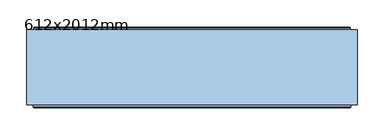
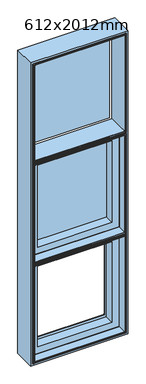
"""IFC4 building model written with IfcOpenShell, lengths in millimetres: window geometry, 612x2012mm."""

from ifc_helpers import new_model, si_unit, frame, origin, place, context, project, spatial, polyline, ellipse_curve, outline, extrude, faceted_brep, source, transform, mapped, element, save
from ifc_brep_helpers import plane_surface, cylinder_surface, revolved_surface, advanced_brep


def window_612x2012mm_f6857e12(model_context):
    return source(origin(), model_context, "Body", "SolidModel", [
        extrude(outline(polyline([(252.0, 118.5000018), (-252.0, 118.5000018), (-252.0, 146.5000018), (252.0, 146.5000018), (252.0, 118.5000018)])), frame((0.0, 0.0, 2187.3333333), z_axis=(0.0, 0.0, 1.0), x_axis=(1.0, 0.0, 0.0)), (0.0, 0.0, 1.0), 570.6666667),
        extrude(outline(polyline([(252.0, 118.0000017), (-252.0, 118.0000017), (-252.0, 146.0000017), (252.0, 146.0000017), (252.0, 118.0000017)])), frame((0.0, 0.0, 1516.6666667), z_axis=(0.0, 0.0, 1.0), x_axis=(1.0, 0.0, 0.0)), (0.0, 0.0, 1.0), 578.6666667),
        advanced_brep(
        [(-293.0, 152.5000018, 2136.3333333), (-291.5000001, 154.0000016, 2134.8333335), (-291.5000001, 154.0000016, 1477.1666665), (-293.0, 152.5000018, 1475.6666667), (-293.0, 148.3866107, 2136.3333333), (-293.0, 148.3866107, 1475.6666667), (-294.0, 142.5000017, 2137.3333333), (-294.0, 148.3866107, 2137.3333333), (-294.0, 148.3866107, 1474.6666667), (-294.0, 142.5000017, 1474.6666667), (-256.0, 146.5000019, 2099.3333333), (-256.0, 142.5000017, 2099.3333333), (-256.0, 142.5000017, 1512.6666667), (-256.0, 146.5000019, 1512.6666667), (-237.5192538, 147.4871074, 2080.8525871), (-237.4938789, 146.5000019, 2080.8272122), (-237.4938789, 146.5000019, 1531.1727878), (-237.5192538, 147.4871074, 1531.1474129), (-239.5962483, 148.7951832, 2082.9295817), (-239.5962483, 148.7951832, 1529.0704183), (-240.0, 149.7544748, 2083.3333333), (-240.0, 149.7544748, 1528.6666667), (-240.0, 153.0000016, 2083.3333333), (-240.0, 153.0000016, 1528.6666667), (-240.5, 153.5000016, 2083.8333333), (-240.5, 153.5000016, 1528.1666667), (-256.514074, 154.0000016, 2099.8474073), (-255.8, 153.5000016, 2099.1333333), (-255.8, 153.5000016, 1512.8666667), (-256.514074, 154.0000016, 1512.1525927), (291.5000001, 154.0000016, 1477.1666665), (293.0, 152.5000018, 1475.6666667), (293.0, 148.3866107, 1475.6666667), (294.0, 148.3866107, 1474.6666667), (294.0, 142.5000017, 1474.6666667), (256.0, 142.5000017, 1512.6666667), (256.0, 146.5000019, 1512.6666667), (237.4938789, 146.5000019, 1531.1727878), (237.5192538, 147.4871074, 1531.1474129), (239.5962483, 148.7951832, 1529.0704183), (240.0, 149.7544748, 1528.6666667), (240.0, 153.0000016, 1528.6666667), (240.5, 153.5000016, 1528.1666667), (255.8, 153.5000016, 1512.8666667), (256.514074, 154.0000016, 1512.1525927), (291.5000001, 154.0000016, 2134.8333335), (293.0, 152.5000018, 2136.3333333), (293.0, 148.3866107, 2136.3333333), (294.0, 148.3866107, 2137.3333333), (294.0, 142.5000017, 2137.3333333), (256.0, 142.5000017, 2099.3333333), (256.0, 146.5000019, 2099.3333333), (237.4938789, 146.5000019, 2080.8272122), (237.5192538, 147.4871074, 2080.8525871), (239.5962483, 148.7951832, 2082.9295817), (240.0, 149.7544748, 2083.3333333), (240.0, 153.0000016, 2083.3333333), (240.5, 153.5000016, 2083.8333333), (255.8, 153.5000016, 2099.1333333), (256.514074, 154.0000016, 2099.8474073)],
        [
            (0, 1, ellipse_curve(frame((-291.5000001, 152.5000018, 2134.8333335), z_axis=(-0.7071067811865475, 0.0, -0.7071067811865475), x_axis=(-0.7071067811865474, 0.0, 0.7071067811865476)), 2.1213201, 1.4999998)),
            (1, 2),
            (2, 3, ellipse_curve(frame((-291.5000001, 152.5000018, 1477.1666665), z_axis=(-0.7071067811865475, 0.0, 0.7071067811865475), x_axis=(0.7071067811865474, 0.0, 0.7071067811865476)), 2.1213201, 1.4999998)),
            (3, 0),
            (4, 0),
            (3, 5),
            (5, 4),
            (6, 7),
            (7, 8),
            (8, 9),
            (9, 6),
            (10, 11),
            (11, 12),
            (12, 13),
            (13, 10),
            (14, 15, ellipse_curve(frame((-237.4938789, 146.9938808, 2080.8272122), z_axis=(-0.7071067811865475, 0.0, -0.7071067811865475), x_axis=(-0.7071067811865474, 0.0, 0.7071067811865476)), 0.6984503, 0.4938789)),
            (15, 16),
            (16, 17, ellipse_curve(frame((-237.4938789, 146.9938808, 1531.1727878), z_axis=(-0.7071067811865475, 0.0, 0.7071067811865475), x_axis=(0.7071067811865474, 0.0, 0.7071067811865476)), 0.6984503, 0.4938789)),
            (17, 14),
            (18, 14, ellipse_curve(frame((-237.6227187, 149.6258125, 2080.956052), z_axis=(0.7071067811865475, 0.0, 0.7071067811865475), x_axis=(0.7071067811865474, 0.0, -0.7071067811865476)), 3.028123, 2.1412063)),
            (17, 19, ellipse_curve(frame((-237.6227187, 149.6258125, 1531.043948), z_axis=(0.7071067811865475, 0.0, -0.7071067811865475), x_axis=(-0.7071067811865474, 0.0, -0.7071067811865476)), 3.028123, 2.1412063)),
            (19, 18),
            (20, 18),
            (19, 21),
            (21, 20),
            (22, 20),
            (21, 23),
            (23, 22),
            (24, 22, ellipse_curve(frame((-240.5, 153.0000016, 2083.8333333), z_axis=(-0.7071067811865475, 0.0, -0.7071067811865475), x_axis=(-0.7071067811865474, 0.0, 0.7071067811865476)), 0.7071068, 0.5)),
            (23, 25, ellipse_curve(frame((-240.5, 153.0000016, 1528.1666667), z_axis=(-0.7071067811865475, 0.0, 0.7071067811865475), x_axis=(0.7071067811865474, 0.0, 0.7071067811865476)), 0.7071068, 0.5)),
            (25, 24),
            (26, 27),
            (27, 28),
            (28, 29),
            (29, 26),
            (2, 30),
            (30, 31, ellipse_curve(frame((291.5000001, 152.5000018, 1477.1666665), z_axis=(-0.7071067811865475, 0.0, -0.7071067811865475), x_axis=(-0.7071067811865476, 0.0, 0.7071067811865474)), 2.1213201, 1.4999998)),
            (31, 3),
            (31, 32),
            (32, 5),
            (8, 33),
            (33, 34),
            (34, 9),
            (12, 35),
            (35, 36),
            (36, 13),
            (16, 37),
            (37, 38, ellipse_curve(frame((237.4938789, 146.9938808, 1531.1727878), z_axis=(-0.7071067811865475, 0.0, -0.7071067811865475), x_axis=(-0.7071067811865476, 0.0, 0.7071067811865474)), 0.6984503, 0.4938789)),
            (38, 17),
            (38, 39, ellipse_curve(frame((237.6227187, 149.6258125, 1531.043948), z_axis=(0.7071067811865475, 0.0, 0.7071067811865475), x_axis=(0.7071067811865476, 0.0, -0.7071067811865474)), 3.028123, 2.1412063)),
            (39, 19),
            (39, 40),
            (40, 21),
            (40, 41),
            (41, 23),
            (41, 42, ellipse_curve(frame((240.5, 153.0000016, 1528.1666667), z_axis=(-0.7071067811865475, 0.0, -0.7071067811865475), x_axis=(-0.7071067811865476, 0.0, 0.7071067811865474)), 0.7071068, 0.5)),
            (42, 25),
            (28, 43),
            (43, 44),
            (44, 29),
            (30, 45),
            (45, 46, ellipse_curve(frame((291.5000001, 152.5000018, 2134.8333335), z_axis=(0.7071067811865475, 0.0, -0.7071067811865475), x_axis=(-0.7071067811865474, 0.0, -0.7071067811865476)), 2.1213201, 1.4999998)),
            (46, 31),
            (46, 47),
            (47, 32),
            (33, 48),
            (48, 49),
            (49, 34),
            (35, 50),
            (50, 51),
            (51, 36),
            (37, 52),
            (52, 53, ellipse_curve(frame((237.4938789, 146.9938808, 2080.8272122), z_axis=(0.7071067811865475, 0.0, -0.7071067811865475), x_axis=(-0.7071067811865474, 0.0, -0.7071067811865476)), 0.6984503, 0.4938789)),
            (53, 38),
            (53, 54, ellipse_curve(frame((237.6227187, 149.6258125, 2080.956052), z_axis=(-0.7071067811865475, 0.0, 0.7071067811865475), x_axis=(0.7071067811865474, 0.0, 0.7071067811865476)), 3.028123, 2.1412063)),
            (54, 39),
            (54, 55),
            (55, 40),
            (55, 56),
            (56, 41),
            (56, 57, ellipse_curve(frame((240.5, 153.0000016, 2083.8333333), z_axis=(0.7071067811865475, 0.0, -0.7071067811865475), x_axis=(-0.7071067811865474, 0.0, -0.7071067811865476)), 0.7071068, 0.5)),
            (57, 42),
            (43, 58),
            (58, 59),
            (59, 44),
            (1, 45),
            (59, 26),
            (0, 46),
            (4, 47),
            (7, 48),
            (6, 49),
            (11, 50),
            (10, 51),
            (15, 52),
            (14, 53),
            (18, 54),
            (20, 55),
            (22, 56),
            (24, 57),
            (27, 58),
        ],
        [
            cylinder_surface(frame((-291.5000001, 152.5000018, 2137.3333333), z_axis=(0.0, 0.0, 1.0), x_axis=(1.0, 0.0, 0.0)), 1.4999998),
            plane_surface(frame((-293.0, 152.5000018, 2136.3333333), z_axis=(-1.0, 0.0, 0.0), x_axis=(0.0, 0.0, -1.0))),
            plane_surface(frame((-294.0, 148.3866107, 2137.3333333), z_axis=(-1.0, 0.0, 0.0), x_axis=(0.0, 0.0, -1.0))),
            plane_surface(frame((-256.0, 142.5000017, 2099.3333333), z_axis=(1.0, 0.0, 0.0), x_axis=(0.0, 0.0, -1.0))),
            cylinder_surface(frame((-237.4938789, 146.9938808, 2137.3333333), z_axis=(0.0, 0.0, 1.0), x_axis=(1.0, 0.0, 0.0)), 0.4938789),
            revolved_surface(polyline([(-235.4815124, 149.6258125, 1528.9027416924332), (-235.4815124, 149.6258125, 2083.097258307567)]), (-237.6227187, 149.6258125, 2137.3333333), (0.0, 0.0, -1.0)),
            plane_surface(frame((-239.5962483, 148.7951832, 2082.9295817), z_axis=(0.9216905703602055, 0.3879258853300191, 0.0), x_axis=(0.0, 0.0, -1.0))),
            plane_surface(frame((-240.0, 149.7544748, 2083.3333333), z_axis=(1.0, 0.0, 0.0), x_axis=(0.0, 0.0, -1.0))),
            cylinder_surface(frame((-240.5, 153.0000016, 2137.3333333), z_axis=(0.0, 0.0, 1.0), x_axis=(1.0, 0.0, 0.0)), 0.5),
            plane_surface(frame((-255.8, 153.5000016, 2099.1333333), z_axis=(0.5735764363509964, 0.8191520442890267, 0.0), x_axis=(0.0, 0.0, -1.0))),
            cylinder_surface(frame((-294.0, 152.5000018, 1477.1666665), z_axis=(-1.0, 0.0, 0.0), x_axis=(0.0, 0.0, 1.0)), 1.4999998),
            plane_surface(frame((-293.0, 152.5000018, 1475.6666667), z_axis=(0.0, 0.0, -1.0), x_axis=(1.0, 0.0, 0.0))),
            plane_surface(frame((-294.0, 148.3866107, 1474.6666667), z_axis=(0.0, 0.0, -1.0), x_axis=(1.0, 0.0, 0.0))),
            plane_surface(frame((-256.0, 142.5000017, 1512.6666667), z_axis=(0.0, 0.0, 1.0), x_axis=(1.0, 0.0, 0.0))),
            cylinder_surface(frame((-294.0, 146.9938808, 1531.1727878), z_axis=(-1.0, 0.0, 0.0), x_axis=(0.0, 0.0, 1.0)), 0.4938789),
            revolved_surface(polyline([(239.76392500756685, 149.6258125, 1533.1851543), (-239.76392500756697, 149.6258125, 1533.1851543)]), (-294.0, 149.6258125, 1531.043948), (1.0, 0.0, 0.0)),
            plane_surface(frame((-239.5962483, 148.7951832, 1529.0704183), z_axis=(0.0, 0.3879258853300221, 0.9216905703602043), x_axis=(1.0, 0.0, 0.0))),
            plane_surface(frame((-240.0, 149.7544748, 1528.6666667), z_axis=(0.0, 0.0, 1.0), x_axis=(1.0, 0.0, 0.0))),
            cylinder_surface(frame((-294.0, 153.0000016, 1528.1666667), z_axis=(-1.0, 0.0, 0.0), x_axis=(0.0, 0.0, 1.0)), 0.5),
            plane_surface(frame((-255.8, 153.5000016, 1512.8666667), z_axis=(0.0, 0.8191520442890285, 0.5735764363509938), x_axis=(1.0, 0.0, 0.0))),
            cylinder_surface(frame((291.5000001, 152.5000018, 1474.6666667), z_axis=(0.0, 0.0, -1.0), x_axis=(-1.0, 0.0, 0.0)), 1.4999998),
            plane_surface(frame((293.0, 152.5000018, 1475.6666667), z_axis=(1.0, 0.0, 0.0), x_axis=(0.0, 0.0, 1.0))),
            plane_surface(frame((294.0, 148.3866107, 1474.6666667), z_axis=(1.0, 0.0, 0.0), x_axis=(0.0, 0.0, 1.0))),
            plane_surface(frame((256.0, 142.5000017, 1512.6666667), z_axis=(-1.0, 0.0, 0.0), x_axis=(0.0, 0.0, 1.0))),
            cylinder_surface(frame((237.4938789, 146.9938808, 1474.6666667), z_axis=(0.0, 0.0, -1.0), x_axis=(-1.0, 0.0, 0.0)), 0.4938789),
            revolved_surface(polyline([(235.4815124, 149.6258125, 2083.097258307567), (235.4815124, 149.6258125, 1528.902741692433)]), (237.6227187, 149.6258125, 1474.6666667), (0.0, 0.0, 1.0)),
            plane_surface(frame((239.5962483, 148.7951832, 1529.0704183), z_axis=(-0.9216905703602031, 0.3879258853300251, 0.0), x_axis=(0.0, 0.0, 1.0))),
            plane_surface(frame((240.0, 149.7544748, 1528.6666667), z_axis=(-1.0, 0.0, 0.0), x_axis=(0.0, 0.0, 1.0))),
            cylinder_surface(frame((240.5, 153.0000016, 1474.6666667), z_axis=(0.0, 0.0, -1.0), x_axis=(-1.0, 0.0, 0.0)), 0.5),
            plane_surface(frame((255.8, 153.5000016, 1512.8666667), z_axis=(-0.5735764363509911, 0.8191520442890304, 0.0), x_axis=(0.0, 0.0, 1.0))),
            plane_surface(frame((256.514074, 154.0000016, 2099.8474073), z_axis=(0.0, 1.0, 0.0), x_axis=(-1.0, 0.0, 0.0))),
            cylinder_surface(frame((294.0, 152.5000018, 2134.8333335), z_axis=(1.0, 0.0, 0.0), x_axis=(0.0, 0.0, -1.0)), 1.4999998),
            plane_surface(frame((293.0, 152.5000018, 2136.3333333), z_axis=(0.0, 0.0, 1.0), x_axis=(-1.0, 0.0, 0.0))),
            plane_surface(frame((293.0, 148.3866107, 2136.3333333), z_axis=(0.0, 1.0, 0.0), x_axis=(-1.0, 0.0, 0.0))),
            plane_surface(frame((294.0, 148.3866107, 2137.3333333), z_axis=(0.0, 0.0, 1.0), x_axis=(-1.0, 0.0, 0.0))),
            plane_surface(frame((294.0, 142.5000017, 2137.3333333), z_axis=(0.0, -1.0, 0.0), x_axis=(-1.0, 0.0, 0.0))),
            plane_surface(frame((256.0, 142.5000017, 2099.3333333), z_axis=(0.0, 0.0, -1.0), x_axis=(-1.0, 0.0, 0.0))),
            plane_surface(frame((256.0, 146.5000019, 2099.3333333), z_axis=(0.0, -1.0, 0.0), x_axis=(-1.0, 0.0, 0.0))),
            cylinder_surface(frame((294.0, 146.9938808, 2080.8272122), z_axis=(1.0, 0.0, 0.0), x_axis=(0.0, 0.0, -1.0)), 0.4938789),
            revolved_surface(polyline([(-239.76392500756685, 149.6258125, 2078.8148457), (239.76392500756697, 149.6258125, 2078.8148457)]), (294.0, 149.6258125, 2080.956052), (-1.0, 0.0, 0.0)),
            plane_surface(frame((239.5962483, 148.7951832, 2082.9295817), z_axis=(0.0, 0.3879258853300221, -0.9216905703602043), x_axis=(-1.0, 0.0, 0.0))),
            plane_surface(frame((240.0, 149.7544748, 2083.3333333), z_axis=(0.0, 0.0, -1.0), x_axis=(-1.0, 0.0, 0.0))),
            cylinder_surface(frame((294.0, 153.0000016, 2083.8333333), z_axis=(1.0, 0.0, 0.0), x_axis=(0.0, 0.0, -1.0)), 0.5),
            plane_surface(frame((240.5, 153.5000016, 2083.8333333), z_axis=(0.0, 1.0, 0.0), x_axis=(-1.0, 0.0, 0.0))),
            plane_surface(frame((255.8, 153.5000016, 2099.1333333), z_axis=(0.0, 0.8191520442890285, -0.5735764363509938), x_axis=(-1.0, 0.0, 0.0))),
        ],
        [
            (0, [[1, 2, 3, 4]]),
            (1, [[5, -4, 6, 7]]),
            (2, [[8, 9, 10, 11]]),
            (3, [[12, 13, 14, 15]]),
            (4, [[16, 17, 18, 19]]),
            (5, [[20, -19, 21, 22]]),
            (6, [[23, -22, 24, 25]]),
            (7, [[26, -25, 27, 28]]),
            (8, [[29, -28, 30, 31]]),
            (9, [[32, 33, 34, 35]]),
            (10, [[-3, 36, 37, 38]]),
            (11, [[-6, -38, 39, 40]]),
            (12, [[-10, 41, 42, 43]]),
            (13, [[-14, 44, 45, 46]]),
            (14, [[-18, 47, 48, 49]]),
            (15, [[-21, -49, 50, 51]]),
            (16, [[-24, -51, 52, 53]]),
            (17, [[-27, -53, 54, 55]]),
            (18, [[-30, -55, 56, 57]]),
            (19, [[-34, 58, 59, 60]]),
            (20, [[-37, 61, 62, 63]]),
            (21, [[-39, -63, 64, 65]]),
            (22, [[-42, 66, 67, 68]]),
            (23, [[-45, 69, 70, 71]]),
            (24, [[-48, 72, 73, 74]]),
            (25, [[-50, -74, 75, 76]]),
            (26, [[-52, -76, 77, 78]]),
            (27, [[-54, -78, 79, 80]]),
            (28, [[-56, -80, 81, 82]]),
            (29, [[-59, 83, 84, 85]]),
            (30, [[86, -61, -36, -2], [-60, -85, 87, -35]]),
            (31, [[-62, -86, -1, 88]]),
            (32, [[-64, -88, -5, 89]]),
            (33, [[90, -66, -41, -9], [-40, -65, -89, -7]]),
            (34, [[-67, -90, -8, 91]]),
            (35, [[-43, -68, -91, -11], [92, -69, -44, -13]]),
            (36, [[-70, -92, -12, 93]]),
            (37, [[-46, -71, -93, -15], [94, -72, -47, -17]]),
            (38, [[-73, -94, -16, 95]]),
            (39, [[-75, -95, -20, 96]]),
            (40, [[-77, -96, -23, 97]]),
            (41, [[-79, -97, -26, 98]]),
            (42, [[-81, -98, -29, 99]]),
            (43, [[100, -83, -58, -33], [-57, -82, -99, -31]]),
            (44, [[-84, -100, -32, -87]]),
        ],
    ),
        extrude(outline(polyline([(-294.0, 8.1000016), (-294.0, 146.5000016), (294.0, 146.5000016), (294.0, 8.1000016), (-294.0, 8.1000016)])), frame((0.0, 0.0, 2137.3333333), z_axis=(0.0, 0.0, 1.0), x_axis=(1.0, 0.0, 0.0)), (0.0, 0.0, 1.0), 8.0),
        advanced_brep(
        [(-284.0, 6.0000014, 2127.3333333), (-285.5, 4.5000014, 2128.8333333), (-285.5, 4.5000014, 1483.1666667), (-284.0, 6.0000014, 1484.6666667), (-284.0, 142.0000016, 2127.3333333), (-284.0, 142.0000016, 1484.6666667), (-294.0, 6.0000014, 2137.3333333), (-294.0, 142.0000016, 2137.3333333), (-294.0, 142.0000016, 1474.6666667), (-294.0, 6.0000014, 1474.6666667), (-292.5, 4.5000014, 2135.8333333), (-292.5, 4.5000014, 1476.1666667), (285.5, 4.5000014, 1483.1666667), (284.0, 6.0000014, 1484.6666667), (284.0, 142.0000016, 1484.6666667), (294.0, 142.0000016, 1474.6666667), (294.0, 6.0000014, 1474.6666667), (292.5, 4.5000014, 1476.1666667), (285.5, 4.5000014, 2128.8333333), (284.0, 6.0000014, 2127.3333333), (284.0, 142.0000016, 2127.3333333), (294.0, 142.0000016, 2137.3333333), (294.0, 6.0000014, 2137.3333333), (292.5, 4.5000014, 2135.8333333)],
        [
            (0, 1, ellipse_curve(frame((-285.5, 6.0000014, 2128.8333333), z_axis=(-0.7071067811865475, 0.0, -0.7071067811865475), x_axis=(-0.7071067811865474, 0.0, 0.7071067811865476)), 2.1213203, 1.5)),
            (1, 2),
            (2, 3, ellipse_curve(frame((-285.5, 6.0000014, 1483.1666667), z_axis=(-0.7071067811865475, 0.0, 0.7071067811865475), x_axis=(0.7071067811865474, 0.0, 0.7071067811865476)), 2.1213203, 1.5)),
            (3, 0),
            (4, 0),
            (3, 5),
            (5, 4),
            (6, 7),
            (7, 8),
            (8, 9),
            (9, 6),
            (10, 6, ellipse_curve(frame((-292.5, 6.0000014, 2135.8333333), z_axis=(-0.7071067811865475, 0.0, -0.7071067811865475), x_axis=(-0.7071067811865474, 0.0, 0.7071067811865476)), 2.1213203, 1.5)),
            (9, 11, ellipse_curve(frame((-292.5, 6.0000014, 1476.1666667), z_axis=(-0.7071067811865475, 0.0, 0.7071067811865475), x_axis=(0.7071067811865474, 0.0, 0.7071067811865476)), 2.1213203, 1.5)),
            (11, 10),
            (2, 12),
            (12, 13, ellipse_curve(frame((285.5, 6.0000014, 1483.1666667), z_axis=(-0.7071067811865475, 0.0, -0.7071067811865475), x_axis=(-0.7071067811865476, 0.0, 0.7071067811865474)), 2.1213203, 1.5)),
            (13, 3),
            (13, 14),
            (14, 5),
            (8, 15),
            (15, 16),
            (16, 9),
            (16, 17, ellipse_curve(frame((292.5, 6.0000014, 1476.1666667), z_axis=(-0.7071067811865475, 0.0, -0.7071067811865475), x_axis=(-0.7071067811865476, 0.0, 0.7071067811865474)), 2.1213203, 1.5)),
            (17, 11),
            (12, 18),
            (18, 19, ellipse_curve(frame((285.5, 6.0000014, 2128.8333333), z_axis=(0.7071067811865475, 0.0, -0.7071067811865475), x_axis=(-0.7071067811865474, 0.0, -0.7071067811865476)), 2.1213203, 1.5)),
            (19, 13),
            (19, 20),
            (20, 14),
            (15, 21),
            (21, 22),
            (22, 16),
            (22, 23, ellipse_curve(frame((292.5, 6.0000014, 2135.8333333), z_axis=(0.7071067811865475, 0.0, -0.7071067811865475), x_axis=(-0.7071067811865474, 0.0, -0.7071067811865476)), 2.1213203, 1.5)),
            (23, 17),
            (18, 1),
            (0, 19),
            (4, 20),
            (7, 21),
            (6, 22),
            (10, 23),
        ],
        [
            cylinder_surface(frame((-285.5, 6.0000014, 2137.3333333), z_axis=(0.0, 0.0, 1.0), x_axis=(1.0, 0.0, 0.0)), 1.5),
            plane_surface(frame((-284.0, 6.0000014, 2127.3333333), z_axis=(1.0, 0.0, 0.0), x_axis=(0.0, 0.0, -1.0))),
            plane_surface(frame((-294.0, 142.0000016, 2137.3333333), z_axis=(-1.0, 0.0, 0.0), x_axis=(0.0, 0.0, -1.0))),
            cylinder_surface(frame((-292.5, 6.0000014, 2137.3333333), z_axis=(0.0, 0.0, 1.0), x_axis=(1.0, 0.0, 0.0)), 1.5),
            cylinder_surface(frame((-294.0, 6.0000014, 1483.1666667), z_axis=(-1.0, 0.0, 0.0), x_axis=(0.0, 0.0, 1.0)), 1.5),
            plane_surface(frame((-284.0, 6.0000014, 1484.6666667), z_axis=(0.0, 0.0, 1.0), x_axis=(1.0, 0.0, 0.0))),
            plane_surface(frame((-294.0, 142.0000016, 1474.6666667), z_axis=(0.0, 0.0, -1.0), x_axis=(1.0, 0.0, 0.0))),
            cylinder_surface(frame((-294.0, 6.0000014, 1476.1666667), z_axis=(-1.0, 0.0, 0.0), x_axis=(0.0, 0.0, 1.0)), 1.5),
            cylinder_surface(frame((285.5, 6.0000014, 1474.6666667), z_axis=(0.0, 0.0, -1.0), x_axis=(-1.0, 0.0, 0.0)), 1.5),
            plane_surface(frame((284.0, 6.0000014, 1484.6666667), z_axis=(-1.0, 0.0, 0.0), x_axis=(0.0, 0.0, 1.0))),
            plane_surface(frame((294.0, 142.0000016, 1474.6666667), z_axis=(1.0, 0.0, 0.0), x_axis=(0.0, 0.0, 1.0))),
            cylinder_surface(frame((292.5, 6.0000014, 1474.6666667), z_axis=(0.0, 0.0, -1.0), x_axis=(-1.0, 0.0, 0.0)), 1.5),
            cylinder_surface(frame((294.0, 6.0000014, 2128.8333333), z_axis=(1.0, 0.0, 0.0), x_axis=(0.0, 0.0, -1.0)), 1.5),
            plane_surface(frame((284.0, 6.0000014, 2127.3333333), z_axis=(0.0, 0.0, -1.0), x_axis=(-1.0, 0.0, 0.0))),
            plane_surface(frame((284.0, 142.0000016, 2127.3333333), z_axis=(0.0, 1.0, 0.0), x_axis=(-1.0, 0.0, 0.0))),
            plane_surface(frame((294.0, 142.0000016, 2137.3333333), z_axis=(0.0, 0.0, 1.0), x_axis=(-1.0, 0.0, 0.0))),
            cylinder_surface(frame((294.0, 6.0000014, 2135.8333333), z_axis=(1.0, 0.0, 0.0), x_axis=(0.0, 0.0, -1.0)), 1.5),
            plane_surface(frame((292.5, 4.5000014, 2135.8333333), z_axis=(0.0, -1.0, 0.0), x_axis=(-1.0, 0.0, 0.0))),
        ],
        [
            (0, [[1, 2, 3, 4]]),
            (1, [[5, -4, 6, 7]]),
            (2, [[8, 9, 10, 11]]),
            (3, [[12, -11, 13, 14]]),
            (4, [[-3, 15, 16, 17]]),
            (5, [[-6, -17, 18, 19]]),
            (6, [[-10, 20, 21, 22]]),
            (7, [[-13, -22, 23, 24]]),
            (8, [[-16, 25, 26, 27]]),
            (9, [[-18, -27, 28, 29]]),
            (10, [[-21, 30, 31, 32]]),
            (11, [[-23, -32, 33, 34]]),
            (12, [[-26, 35, -1, 36]]),
            (13, [[-28, -36, -5, 37]]),
            (14, [[38, -30, -20, -9], [-19, -29, -37, -7]]),
            (15, [[-31, -38, -8, 39]]),
            (16, [[-33, -39, -12, 40]]),
            (17, [[-24, -34, -40, -14], [-35, -25, -15, -2]]),
        ],
    ),
        faceted_brep([(-256.0, 118.0000017, 1512.6666667), (-256.0, 142.0000016, 1512.6666667), (-256.0, 142.0000016, 2099.3333333), (-256.0, 118.0000017, 2099.3333333), (-284.0, 142.0000016, 1484.6666667), (-284.0, 62.8258285, 1484.6666667), (-284.0, 62.8258285, 2127.3333333), (-284.0, 142.0000016, 2127.3333333), (-277.2, 62.8258285, 1491.4666667), (-277.2, 59.0000017, 1491.4666667), (-277.2, 59.0000017, 2120.5333333), (-277.2, 62.8258285, 2120.5333333), (-234.0, 59.0000017, 1534.6666667), (-234.0, 118.0000017, 1534.6666667), (-234.0, 118.0000017, 2077.3333333), (-234.0, 59.0000017, 2077.3333333), (256.0, 142.0000016, 2099.3333333), (256.0, 118.0000017, 2099.3333333), (284.0, 62.8258285, 2127.3333333), (284.0, 142.0000016, 2127.3333333), (277.2, 59.0000017, 2120.5333333), (277.2, 62.8258285, 2120.5333333), (234.0, 118.0000017, 2077.3333333), (234.0, 59.0000017, 2077.3333333), (256.0, 142.0000016, 1512.6666667), (256.0, 118.0000017, 1512.6666667), (284.0, 62.8258285, 1484.6666667), (284.0, 142.0000016, 1484.6666667), (277.2, 59.0000017, 1491.4666667), (277.2, 62.8258285, 1491.4666667), (234.0, 118.0000017, 1534.6666667), (234.0, 59.0000017, 1534.6666667)], [[[0, 1, 2, 3]], [[4, 5, 6, 7]], [[8, 9, 10, 11]], [[12, 13, 14, 15]], [[3, 2, 16, 17]], [[7, 6, 18, 19]], [[11, 10, 20, 21]], [[15, 14, 22, 23]], [[17, 16, 24, 25]], [[19, 18, 26, 27]], [[21, 20, 28, 29]], [[23, 22, 30, 31]], [[25, 24, 1, 0]], [[7, 19, 27, 4], [1, 24, 16, 2]], [[27, 26, 5, 4]], [[5, 26, 18, 6], [11, 21, 29, 8]], [[29, 28, 9, 8]], [[9, 28, 20, 10], [15, 23, 31, 12]], [[31, 30, 13, 12]], [[3, 17, 25, 0], [13, 30, 22, 14]]]),
        extrude(outline(polyline([(800.0, -306.0), (800.0, 306.0), (2812.0, 306.0), (2812.0, -306.0), (800.0, -306.0)]), holes=[polyline([(2800.0, -294.0), (2800.0, 294.0), (812.0, 294.0), (812.0, -294.0), (2800.0, -294.0)])]), frame((0.0, 10.0000016, 0.0), z_axis=(0.0, 1.0, 0.0), x_axis=(0.0, 0.0, 1.0)), (0.0, 0.0, 1.0), 139.0),
        advanced_brep(
        [(-294.0, 146.0000016, 1474.6666667), (-294.0, 146.0000016, 1466.6666667), (-294.0, 142.5000017, 1466.6666667), (-294.0, 142.5000017, 812.0), (-294.0, 6.5000015, 812.0), (-294.0, 6.5000015, 1466.6666667), (-294.0, 6.7000016, 1466.6666667), (-294.0, 6.7000016, 1474.6666667), (294.0, 146.0000016, 1474.6666667), (294.0, 6.7000016, 1474.6666667), (294.0, 6.7000016, 1466.6666667), (294.0, 6.5000015, 1466.6666667), (294.0, 6.5000015, 812.0), (294.0, 142.5000017, 812.0), (294.0, 142.5000017, 1466.6666667), (294.0, 146.0000016, 1466.6666667), (-285.5, 5.0000015, 820.5), (-284.0, 6.5000015, 822.0), (-284.0, 6.5000015, 1456.6666667), (-285.5, 5.0000015, 1458.1666667), (-284.0, 142.5000017, 822.0), (-284.0, 142.5000017, 1456.6666667), (-292.5, 5.0000015, 813.5), (-292.5, 5.0000015, 1465.1666667), (284.0, 6.5000015, 1456.6666667), (285.5, 5.0000015, 1458.1666667), (284.0, 142.5000017, 1456.6666667), (292.5, 5.0000015, 1465.1666667), (284.0, 6.5000015, 822.0), (285.5, 5.0000015, 820.5), (284.0, 142.5000017, 822.0), (292.5, 5.0000015, 813.5)],
        [
            (0, 1),
            (1, 2),
            (2, 3),
            (3, 4),
            (4, 5),
            (5, 6),
            (6, 7),
            (7, 0),
            (8, 9),
            (9, 10),
            (10, 11),
            (11, 12),
            (12, 13),
            (13, 14),
            (14, 15),
            (15, 8),
            (0, 8),
            (15, 1),
            (14, 2),
            (6, 10),
            (9, 7),
            (16, 17, ellipse_curve(frame((-285.5, 6.5000015, 820.5), z_axis=(-0.707106781186552, 0.0, 0.707106781186543), x_axis=(-0.7071067811865431, 0.0, -0.707106781186552)), 2.1213203, 1.5)),
            (17, 18),
            (18, 19, ellipse_curve(frame((-285.5, 6.5000015, 1458.1666667), z_axis=(-0.7071067811865429, 0.0, -0.707106781186552), x_axis=(0.7071067811865519, 0.0, -0.707106781186543)), 2.1213203, 1.5)),
            (19, 16),
            (17, 20),
            (20, 21),
            (21, 18),
            (4, 22, ellipse_curve(frame((-292.5, 6.5000015, 813.5), z_axis=(-0.707106781186552, 0.0, 0.707106781186543), x_axis=(-0.7071067811865431, 0.0, -0.707106781186552)), 2.1213203, 1.5)),
            (22, 23),
            (23, 5, ellipse_curve(frame((-292.5, 6.5000015, 1465.1666667), z_axis=(-0.7071067811865429, 0.0, -0.707106781186552), x_axis=(0.7071067811865519, 0.0, -0.707106781186543)), 2.1213203, 1.5)),
            (18, 24),
            (24, 25, ellipse_curve(frame((285.5, 6.5000015, 1458.1666667), z_axis=(-0.707106781186552, 0.0, 0.707106781186543), x_axis=(-0.707106781186543, 0.0, -0.7071067811865519)), 2.1213203, 1.5)),
            (25, 19),
            (21, 26),
            (26, 24),
            (5, 11),
            (23, 27),
            (27, 11, ellipse_curve(frame((292.5, 6.5000015, 1465.1666667), z_axis=(-0.707106781186552, 0.0, 0.707106781186543), x_axis=(-0.707106781186543, 0.0, -0.7071067811865519)), 2.1213203, 1.5)),
            (24, 28),
            (28, 29, ellipse_curve(frame((285.5, 6.5000015, 820.5), z_axis=(0.7071067811865431, 0.0, 0.707106781186552), x_axis=(-0.7071067811865521, 0.0, 0.7071067811865429)), 2.1213203, 1.5)),
            (29, 25),
            (26, 30),
            (30, 28),
            (27, 31),
            (31, 12, ellipse_curve(frame((292.5, 6.5000015, 813.5), z_axis=(0.7071067811865431, 0.0, 0.707106781186552), x_axis=(-0.7071067811865521, 0.0, 0.7071067811865429)), 2.1213203, 1.5)),
            (16, 29),
            (28, 17),
            (30, 20),
            (13, 3),
            (12, 4),
            (31, 22),
        ],
        [
            plane_surface(frame((-294.0, 146.0000016, 1474.6666667), z_axis=(-1.0, 0.0, 0.0), x_axis=(0.0, 0.0, -1.0))),
            plane_surface(frame((294.0, 146.0000016, 1474.6666667), z_axis=(1.0, 0.0, 0.0), x_axis=(0.0, 0.0, 1.0))),
            plane_surface(frame((-294.0, 146.0000016, 1474.6666667), z_axis=(0.0, 1.0, 0.0), x_axis=(1.0, 0.0, 0.0))),
            plane_surface(frame((-294.0, 146.0000016, 1466.6666667), z_axis=(0.0, 0.0, -1.0), x_axis=(1.0, 0.0, 0.0))),
            plane_surface(frame((-294.0, 6.7000016, 1466.6666667), z_axis=(0.0, -1.0, 0.0), x_axis=(1.0, 0.0, 0.0))),
            plane_surface(frame((-294.0, 6.7000016, 1474.6666667), z_axis=(0.0, 0.0, 1.0), x_axis=(1.0, 0.0, 0.0))),
            cylinder_surface(frame((-285.5, 6.5000015, 812.0), z_axis=(0.0, 0.0, -1.0), x_axis=(0.0, -1.0, 0.0)), 1.5),
            plane_surface(frame((-284.0, 142.5000017, 822.0), z_axis=(1.0, 0.0, 0.0), x_axis=(0.0, 0.0, 1.0))),
            cylinder_surface(frame((-292.5, 6.5000015, 812.0), z_axis=(0.0, 0.0, -1.0), x_axis=(0.0, -1.0, 0.0)), 1.5),
            cylinder_surface(frame((-294.0, 6.5000015, 1458.1666667), z_axis=(-1.0, 0.0, 0.0), x_axis=(0.0, -1.0, 0.0)), 1.5),
            plane_surface(frame((-284.0, 142.5000017, 1456.6666667), z_axis=(0.0, 0.0, -1.0), x_axis=(1.0, 0.0, 0.0))),
            plane_surface(frame((-294.0, 6.5000015, 1466.6666667), z_axis=(0.0, 0.0, 1.0), x_axis=(1.0, 0.0, 0.0))),
            cylinder_surface(frame((-294.0, 6.5000015, 1465.1666667), z_axis=(-1.0, 0.0, 0.0), x_axis=(0.0, -1.0, 0.0)), 1.5),
            cylinder_surface(frame((285.5, 6.5000015, 1466.6666667), z_axis=(0.0, 0.0, 1.0), x_axis=(0.0, -1.0, 0.0)), 1.5),
            plane_surface(frame((284.0, 142.5000017, 1456.6666667), z_axis=(-1.0, 0.0, 0.0), x_axis=(0.0, 0.0, -1.0))),
            cylinder_surface(frame((292.5, 6.5000015, 1466.6666667), z_axis=(0.0, 0.0, 1.0), x_axis=(0.0, -1.0, 0.0)), 1.5),
            cylinder_surface(frame((294.0, 6.5000015, 820.5), z_axis=(1.0, 0.0, 0.0), x_axis=(0.0, -1.0, 0.0)), 1.5),
            plane_surface(frame((284.0, 142.5000017, 822.0), z_axis=(0.0, 0.0, 1.0), x_axis=(-1.0, 0.0, 0.0))),
            plane_surface(frame((294.0, 142.5000017, 812.0), z_axis=(0.0, 1.0, 0.0), x_axis=(-1.0, 0.0, 0.0))),
            plane_surface(frame((294.0, 6.5000015, 812.0), z_axis=(0.0, 0.0, -1.0), x_axis=(-1.0, 0.0, 0.0))),
            cylinder_surface(frame((294.0, 6.5000015, 813.5), z_axis=(1.0, 0.0, 0.0), x_axis=(0.0, -1.0, 0.0)), 1.5),
            plane_surface(frame((285.5, 5.0000015, 820.5), z_axis=(0.0, -1.0, 0.0), x_axis=(-1.0, 0.0, 0.0))),
        ],
        [
            (0, [[1, 2, 3, 4, 5, 6, 7, 8]]),
            (1, [[9, 10, 11, 12, 13, 14, 15, 16]]),
            (2, [[-1, 17, -16, 18]]),
            (3, [[-18, -15, 19, -2]]),
            (4, [[-7, 20, -10, 21]]),
            (5, [[-8, -21, -9, -17]]),
            (6, [[22, 23, 24, 25]]),
            (7, [[-23, 26, 27, 28]]),
            (8, [[-5, 29, 30, 31]]),
            (9, [[-24, 32, 33, 34]]),
            (10, [[-28, 35, 36, -32]]),
            (11, [[37, -11, -20, -6]]),
            (12, [[-31, 38, 39, -37]]),
            (13, [[-33, 40, 41, 42]]),
            (14, [[-36, 43, 44, -40]]),
            (15, [[-39, 45, 46, -12]]),
            (16, [[-22, 47, -41, 48]]),
            (17, [[-26, -48, -44, 49]]),
            (18, [[-3, -19, -14, 50], [-27, -49, -43, -35]]),
            (19, [[-4, -50, -13, 51]]),
            (20, [[-29, -51, -46, 52]]),
            (21, [[-30, -52, -45, -38], [-25, -34, -42, -47]]),
        ],
    ),
        advanced_brep(
        [(-284.0, 6.5000014, 2790.0), (-285.5, 5.0000014, 2791.5), (-285.5, 5.0000014, 2153.8333333), (-284.0, 6.5000014, 2155.3333333), (-284.0, 142.5000016, 2155.3333333), (-284.0, 142.5000016, 2790.0), (-294.0, 6.5000014, 2800.0), (-294.0, 142.5000016, 2800.0), (-294.0, 142.5000016, 2145.3333333), (-294.0, 6.5000014, 2145.3333333), (-292.5, 5.0000014, 2146.8333333), (-292.5, 5.0000014, 2798.5), (285.5, 5.0000014, 2153.8333333), (284.0, 6.5000014, 2155.3333333), (284.0, 142.5000016, 2155.3333333), (294.0, 142.5000016, 2145.3333333), (294.0, 6.5000014, 2145.3333333), (292.5, 5.0000014, 2146.8333333), (285.5, 5.0000014, 2791.5), (284.0, 6.5000014, 2790.0), (284.0, 142.5000016, 2790.0), (294.0, 142.5000016, 2800.0), (294.0, 6.5000014, 2800.0), (292.5, 5.0000014, 2798.5)],
        [
            (0, 1, ellipse_curve(frame((-285.5, 6.5000014, 2791.5), z_axis=(-0.7071067811865475, 0.0, -0.7071067811865475), x_axis=(-0.7071067811865474, 0.0, 0.7071067811865476)), 2.1213203, 1.5)),
            (1, 2),
            (2, 3, ellipse_curve(frame((-285.5, 6.5000014, 2153.8333333), z_axis=(-0.7071067811865475, 0.0, 0.7071067811865475), x_axis=(0.7071067811865474, 0.0, 0.7071067811865476)), 2.1213203, 1.5)),
            (3, 0),
            (3, 4),
            (4, 5),
            (5, 0),
            (6, 7),
            (7, 8),
            (8, 9),
            (9, 6),
            (9, 10, ellipse_curve(frame((-292.5, 6.5000014, 2146.8333333), z_axis=(-0.7071067811865475, 0.0, 0.7071067811865475), x_axis=(0.7071067811865474, 0.0, 0.7071067811865476)), 2.1213203, 1.5)),
            (10, 11),
            (11, 6, ellipse_curve(frame((-292.5, 6.5000014, 2798.5), z_axis=(-0.7071067811865475, 0.0, -0.7071067811865475), x_axis=(-0.7071067811865474, 0.0, 0.7071067811865476)), 2.1213203, 1.5)),
            (2, 12),
            (12, 13, ellipse_curve(frame((285.5, 6.5000014, 2153.8333333), z_axis=(-0.7071067811865475, 0.0, -0.7071067811865475), x_axis=(-0.7071067811865476, 0.0, 0.7071067811865474)), 2.1213203, 1.5)),
            (13, 3),
            (13, 14),
            (14, 4),
            (8, 15),
            (15, 16),
            (16, 9),
            (16, 17, ellipse_curve(frame((292.5, 6.5000014, 2146.8333333), z_axis=(-0.7071067811865475, 0.0, -0.7071067811865475), x_axis=(-0.7071067811865476, 0.0, 0.7071067811865474)), 2.1213203, 1.5)),
            (17, 10),
            (12, 18),
            (18, 19, ellipse_curve(frame((285.5, 6.5000014, 2791.5), z_axis=(0.7071067811865475, 0.0, -0.7071067811865475), x_axis=(-0.7071067811865474, 0.0, -0.7071067811865476)), 2.1213203, 1.5)),
            (19, 13),
            (19, 20),
            (20, 14),
            (15, 21),
            (21, 22),
            (22, 16),
            (22, 23, ellipse_curve(frame((292.5, 6.5000014, 2798.5), z_axis=(0.7071067811865475, 0.0, -0.7071067811865475), x_axis=(-0.7071067811865474, 0.0, -0.7071067811865476)), 2.1213203, 1.5)),
            (23, 17),
            (0, 19),
            (18, 1),
            (5, 20),
            (7, 21),
            (6, 22),
            (11, 23),
        ],
        [
            cylinder_surface(frame((-285.5, 6.5000014, 2800.0), z_axis=(0.0, 0.0, 1.0), x_axis=(1.0, 0.0, 0.0)), 1.5),
            plane_surface(frame((-284.0, 6.5000014, 2790.0), z_axis=(1.0, 0.0, 0.0), x_axis=(0.0, 0.0, -1.0))),
            plane_surface(frame((-294.0, 142.5000016, 2800.0), z_axis=(-1.0, 0.0, 0.0), x_axis=(0.0, 0.0, -1.0))),
            cylinder_surface(frame((-292.5, 6.5000014, 2800.0), z_axis=(0.0, 0.0, 1.0), x_axis=(1.0, 0.0, 0.0)), 1.5),
            cylinder_surface(frame((-294.0, 6.5000014, 2153.8333333), z_axis=(-1.0, 0.0, 0.0), x_axis=(0.0, 0.0, 1.0)), 1.5),
            plane_surface(frame((-284.0, 6.5000014, 2155.3333333), z_axis=(0.0, 0.0, 1.0), x_axis=(1.0, 0.0, 0.0))),
            plane_surface(frame((-294.0, 142.5000016, 2145.3333333), z_axis=(0.0, 0.0, -1.0), x_axis=(1.0, 0.0, 0.0))),
            cylinder_surface(frame((-294.0, 6.5000014, 2146.8333333), z_axis=(-1.0, 0.0, 0.0), x_axis=(0.0, 0.0, 1.0)), 1.5),
            cylinder_surface(frame((285.5, 6.5000014, 2145.3333333), z_axis=(0.0, 0.0, -1.0), x_axis=(-1.0, 0.0, 0.0)), 1.5),
            plane_surface(frame((284.0, 6.5000014, 2155.3333333), z_axis=(-1.0, 0.0, 0.0), x_axis=(0.0, 0.0, 1.0))),
            plane_surface(frame((294.0, 142.5000016, 2145.3333333), z_axis=(1.0, 0.0, 0.0), x_axis=(0.0, 0.0, 1.0))),
            cylinder_surface(frame((292.5, 6.5000014, 2145.3333333), z_axis=(0.0, 0.0, -1.0), x_axis=(-1.0, 0.0, 0.0)), 1.5),
            cylinder_surface(frame((294.0, 6.5000014, 2791.5), z_axis=(1.0, 0.0, 0.0), x_axis=(0.0, 0.0, -1.0)), 1.5),
            plane_surface(frame((284.0, 6.5000014, 2790.0), z_axis=(0.0, 0.0, -1.0), x_axis=(-1.0, 0.0, 0.0))),
            plane_surface(frame((284.0, 142.5000016, 2790.0), z_axis=(0.0, 1.0, 0.0), x_axis=(-1.0, 0.0, 0.0))),
            plane_surface(frame((294.0, 142.5000016, 2800.0), z_axis=(0.0, 0.0, 1.0), x_axis=(-1.0, 0.0, 0.0))),
            cylinder_surface(frame((294.0, 6.5000014, 2798.5), z_axis=(1.0, 0.0, 0.0), x_axis=(0.0, 0.0, -1.0)), 1.5),
            plane_surface(frame((292.5, 5.0000014, 2798.5), z_axis=(0.0, -1.0, 0.0), x_axis=(-1.0, 0.0, 0.0))),
        ],
        [
            (0, [[1, 2, 3, 4]]),
            (1, [[-4, 5, 6, 7]]),
            (2, [[8, 9, 10, 11]]),
            (3, [[-11, 12, 13, 14]]),
            (4, [[-3, 15, 16, 17]]),
            (5, [[-5, -17, 18, 19]]),
            (6, [[-10, 20, 21, 22]]),
            (7, [[-12, -22, 23, 24]]),
            (8, [[-16, 25, 26, 27]]),
            (9, [[-18, -27, 28, 29]]),
            (10, [[-21, 30, 31, 32]]),
            (11, [[-23, -32, 33, 34]]),
            (12, [[-1, 35, -26, 36]]),
            (13, [[-7, 37, -28, -35]]),
            (14, [[-9, 38, -30, -20], [-6, -19, -29, -37]]),
            (15, [[-8, 39, -31, -38]]),
            (16, [[-14, 40, -33, -39]]),
            (17, [[-13, -24, -34, -40], [-2, -36, -25, -15]]),
        ],
    ),
        advanced_brep(
        [(-291.5000001, 154.0000016, 814.4999999), (-293.0, 152.5000018, 813.0), (-293.0, 152.5000018, 1465.6666666), (-291.5000001, 154.0000016, 1464.1666668), (-293.0, 148.3866107, 813.0), (-293.0, 148.3866107, 1465.6666666), (-294.0, 148.3866107, 812.0), (-294.0, 142.5000017, 812.0), (-294.0, 142.5000017, 1466.6666667), (-294.0, 148.3866107, 1466.6666667), (-256.0, 142.5000017, 850.0), (-256.0, 146.5000019, 850.0), (-256.0, 146.5000019, 1428.6666667), (-256.0, 142.5000017, 1428.6666667), (-237.4938789, 146.5000019, 868.5061211), (-237.5192538, 147.4871074, 868.4807462), (-237.5192538, 147.4871074, 1410.1859205), (-237.4938789, 146.5000019, 1410.1605456), (-239.5962483, 148.7951832, 866.4037517), (-239.5962483, 148.7951832, 1412.262915), (-240.0, 149.7544748, 866.0), (-240.0, 149.7544748, 1412.6666666), (-240.0, 153.0000016, 866.0), (-240.0, 153.0000016, 1412.6666666), (-240.5, 153.5000016, 865.5), (-240.5, 153.5000016, 1413.1666667), (-255.8, 153.5000016, 850.2), (-256.514074, 154.0000016, 849.485926), (-256.514074, 154.0000016, 1429.1807407), (-255.8, 153.5000016, 1428.4666667), (293.0, 152.5000018, 1465.6666666), (291.5000001, 154.0000016, 1464.1666668), (293.0, 148.3866107, 1465.6666666), (294.0, 142.5000017, 1466.6666667), (294.0, 148.3866107, 1466.6666667), (256.0, 146.5000019, 1428.6666667), (256.0, 142.5000017, 1428.6666667), (237.5192538, 147.4871074, 1410.1859205), (237.4938789, 146.5000019, 1410.1605456), (239.5962483, 148.7951832, 1412.262915), (240.0, 149.7544748, 1412.6666666), (240.0, 153.0000016, 1412.6666666), (240.5, 153.5000016, 1413.1666667), (256.514074, 154.0000016, 1429.1807407), (255.8, 153.5000016, 1428.4666667), (293.0, 152.5000018, 813.0), (291.5000001, 154.0000016, 814.4999999), (293.0, 148.3866107, 813.0), (294.0, 142.5000017, 812.0), (294.0, 148.3866107, 812.0), (256.0, 146.5000019, 850.0), (256.0, 142.5000017, 850.0), (237.5192538, 147.4871074, 868.4807462), (237.4938789, 146.5000019, 868.5061211), (239.5962483, 148.7951832, 866.4037517), (240.0, 149.7544748, 866.0), (240.0, 153.0000016, 866.0), (240.5, 153.5000016, 865.5), (256.514074, 154.0000016, 849.485926), (255.8, 153.5000016, 850.2)],
        [
            (0, 1, ellipse_curve(frame((-291.5000001, 152.5000018, 814.4999999), z_axis=(-0.707106781186552, 0.0, 0.707106781186543), x_axis=(-0.7071067811865431, 0.0, -0.707106781186552)), 2.1213201, 1.4999998)),
            (1, 2),
            (2, 3, ellipse_curve(frame((-291.5000001, 152.5000018, 1464.1666668), z_axis=(-0.7071067811865429, 0.0, -0.707106781186552), x_axis=(0.7071067811865519, 0.0, -0.707106781186543)), 2.1213201, 1.4999998)),
            (3, 0),
            (1, 4),
            (4, 5),
            (5, 2),
            (6, 7),
            (7, 8),
            (8, 9),
            (9, 6),
            (10, 11),
            (11, 12),
            (12, 13),
            (13, 10),
            (14, 15, ellipse_curve(frame((-237.4938789, 146.9938808, 868.5061211), z_axis=(-0.707106781186552, 0.0, 0.707106781186543), x_axis=(-0.7071067811865431, 0.0, -0.707106781186552)), 0.6984503, 0.4938789)),
            (15, 16),
            (16, 17, ellipse_curve(frame((-237.4938789, 146.9938808, 1410.1605456), z_axis=(-0.7071067811865429, 0.0, -0.707106781186552), x_axis=(0.7071067811865519, 0.0, -0.707106781186543)), 0.6984503, 0.4938789)),
            (17, 14),
            (15, 18, ellipse_curve(frame((-237.6227187, 149.6258125, 868.3772813), z_axis=(0.707106781186552, 0.0, -0.707106781186543), x_axis=(0.7071067811865431, 0.0, 0.707106781186552)), 3.028123, 2.1412063)),
            (18, 19),
            (19, 16, ellipse_curve(frame((-237.6227187, 149.6258125, 1410.2893854), z_axis=(0.7071067811865429, 0.0, 0.707106781186552), x_axis=(-0.7071067811865519, 0.0, 0.707106781186543)), 3.028123, 2.1412063)),
            (18, 20),
            (20, 21),
            (21, 19),
            (20, 22),
            (22, 23),
            (23, 21),
            (22, 24, ellipse_curve(frame((-240.5, 153.0000016, 865.5), z_axis=(-0.707106781186552, 0.0, 0.707106781186543), x_axis=(-0.7071067811865431, 0.0, -0.707106781186552)), 0.7071068, 0.5)),
            (24, 25),
            (25, 23, ellipse_curve(frame((-240.5, 153.0000016, 1413.1666667), z_axis=(-0.7071067811865429, 0.0, -0.707106781186552), x_axis=(0.7071067811865519, 0.0, -0.707106781186543)), 0.7071068, 0.5)),
            (26, 27),
            (27, 28),
            (28, 29),
            (29, 26),
            (2, 30),
            (30, 31, ellipse_curve(frame((291.5000001, 152.5000018, 1464.1666668), z_axis=(-0.707106781186552, 0.0, 0.707106781186543), x_axis=(-0.707106781186543, 0.0, -0.7071067811865519)), 2.1213201, 1.4999998)),
            (31, 3),
            (5, 32),
            (32, 30),
            (8, 33),
            (33, 34),
            (34, 9),
            (12, 35),
            (35, 36),
            (36, 13),
            (16, 37),
            (37, 38, ellipse_curve(frame((237.4938789, 146.9938808, 1410.1605456), z_axis=(-0.707106781186552, 0.0, 0.707106781186543), x_axis=(-0.707106781186543, 0.0, -0.7071067811865519)), 0.6984503, 0.4938789)),
            (38, 17),
            (19, 39),
            (39, 37, ellipse_curve(frame((237.6227187, 149.6258125, 1410.2893854), z_axis=(0.707106781186552, 0.0, -0.707106781186543), x_axis=(0.707106781186543, 0.0, 0.7071067811865519)), 3.028123, 2.1412063)),
            (21, 40),
            (40, 39),
            (23, 41),
            (41, 40),
            (25, 42),
            (42, 41, ellipse_curve(frame((240.5, 153.0000016, 1413.1666667), z_axis=(-0.707106781186552, 0.0, 0.707106781186543), x_axis=(-0.707106781186543, 0.0, -0.7071067811865519)), 0.7071068, 0.5)),
            (28, 43),
            (43, 44),
            (44, 29),
            (30, 45),
            (45, 46, ellipse_curve(frame((291.5000001, 152.5000018, 814.4999999), z_axis=(0.7071067811865431, 0.0, 0.707106781186552), x_axis=(-0.7071067811865521, 0.0, 0.7071067811865429)), 2.1213201, 1.4999998)),
            (46, 31),
            (32, 47),
            (47, 45),
            (33, 48),
            (48, 49),
            (49, 34),
            (35, 50),
            (50, 51),
            (51, 36),
            (37, 52),
            (52, 53, ellipse_curve(frame((237.4938789, 146.9938808, 868.5061211), z_axis=(0.7071067811865431, 0.0, 0.707106781186552), x_axis=(-0.7071067811865521, 0.0, 0.7071067811865429)), 0.6984503, 0.4938789)),
            (53, 38),
            (39, 54),
            (54, 52, ellipse_curve(frame((237.6227187, 149.6258125, 868.3772813), z_axis=(-0.7071067811865431, 0.0, -0.707106781186552), x_axis=(0.7071067811865521, 0.0, -0.7071067811865429)), 3.028123, 2.1412063)),
            (40, 55),
            (55, 54),
            (41, 56),
            (56, 55),
            (42, 57),
            (57, 56, ellipse_curve(frame((240.5, 153.0000016, 865.5), z_axis=(0.7071067811865431, 0.0, 0.707106781186552), x_axis=(-0.7071067811865521, 0.0, 0.7071067811865429)), 0.7071068, 0.5)),
            (43, 58),
            (58, 59),
            (59, 44),
            (46, 0),
            (27, 58),
            (45, 1),
            (47, 4),
            (49, 6),
            (48, 7),
            (51, 10),
            (50, 11),
            (53, 14),
            (52, 15),
            (54, 18),
            (55, 20),
            (56, 22),
            (57, 24),
            (59, 26),
        ],
        [
            cylinder_surface(frame((-291.5000001, 152.5000018, 812.0), z_axis=(0.0, 0.0, -1.0), x_axis=(0.0, -1.0, 0.0)), 1.4999998),
            plane_surface(frame((-293.0, 148.3866107, 813.0), z_axis=(-1.0, 0.0, 0.0), x_axis=(0.0, 0.0, 1.0))),
            plane_surface(frame((-294.0, 142.5000017, 812.0), z_axis=(-1.0, 0.0, 0.0), x_axis=(0.0, 0.0, 1.0))),
            plane_surface(frame((-256.0, 146.5000019, 850.0), z_axis=(1.0, 0.0, 0.0), x_axis=(0.0, 0.0, 1.0))),
            cylinder_surface(frame((-237.4938789, 146.9938808, 812.0), z_axis=(0.0, 0.0, -1.0), x_axis=(0.0, -1.0, 0.0)), 0.4938789),
            revolved_surface(polyline([(-237.6227187, 147.4846062, 1412.4305917075667), (-237.6227187, 147.4846062, 866.236074992433)]), (-237.6227187, 149.6258125, 812.0), (0.0, 0.0, 1.0)),
            plane_surface(frame((-240.0, 149.7544748, 866.0), z_axis=(0.9216905703602287, 0.38792588532996386, 0.0), x_axis=(0.0, 0.0, 1.0))),
            plane_surface(frame((-240.0, 153.0000016, 866.0), z_axis=(1.0, 0.0, 0.0), x_axis=(0.0, 0.0, 1.0))),
            cylinder_surface(frame((-240.5, 153.0000016, 812.0), z_axis=(0.0, 0.0, -1.0), x_axis=(0.0, -1.0, 0.0)), 0.5),
            plane_surface(frame((-256.514074, 154.0000016, 849.485926), z_axis=(0.5735764363508765, 0.8191520442891105, 0.0), x_axis=(0.0, 0.0, 1.0))),
            cylinder_surface(frame((-294.0, 152.5000018, 1464.1666668), z_axis=(-1.0, 0.0, 0.0), x_axis=(0.0, -1.0, 0.0)), 1.4999998),
            plane_surface(frame((-293.0, 148.3866107, 1465.6666666), z_axis=(0.0, 0.0, 1.0), x_axis=(1.0, 0.0, 0.0))),
            plane_surface(frame((-294.0, 142.5000017, 1466.6666667), z_axis=(0.0, 0.0, 1.0), x_axis=(1.0, 0.0, 0.0))),
            plane_surface(frame((-256.0, 146.5000019, 1428.6666667), z_axis=(0.0, 0.0, -1.0), x_axis=(1.0, 0.0, 0.0))),
            cylinder_surface(frame((-294.0, 146.9938808, 1410.1605456), z_axis=(-1.0, 0.0, 0.0), x_axis=(0.0, -1.0, 0.0)), 0.4938789),
            revolved_surface(polyline([(239.76392500756685, 147.4846062, 1410.2893854), (-239.76392500756697, 147.4846062, 1410.2893854)]), (-294.0, 149.6258125, 1410.2893854), (1.0, 0.0, 0.0)),
            plane_surface(frame((-240.0, 149.7544748, 1412.6666666), z_axis=(0.0, 0.38792588532996686, -0.9216905703602275), x_axis=(1.0, 0.0, 0.0))),
            plane_surface(frame((-240.0, 153.0000016, 1412.6666666), z_axis=(0.0, 0.0, -1.0), x_axis=(1.0, 0.0, 0.0))),
            cylinder_surface(frame((-294.0, 153.0000016, 1413.1666667), z_axis=(-1.0, 0.0, 0.0), x_axis=(0.0, -1.0, 0.0)), 0.5),
            plane_surface(frame((-256.514074, 154.0000016, 1429.1807407), z_axis=(0.0, 0.8191520442891124, -0.5735764363508739), x_axis=(1.0, 0.0, 0.0))),
            cylinder_surface(frame((291.5000001, 152.5000018, 1466.6666667), z_axis=(0.0, 0.0, 1.0), x_axis=(0.0, -1.0, 0.0)), 1.4999998),
            plane_surface(frame((293.0, 148.3866107, 1465.6666666), z_axis=(1.0, 0.0, 0.0), x_axis=(0.0, 0.0, -1.0))),
            plane_surface(frame((294.0, 142.5000017, 1466.6666667), z_axis=(1.0, 0.0, 0.0), x_axis=(0.0, 0.0, -1.0))),
            plane_surface(frame((256.0, 146.5000019, 1428.6666667), z_axis=(-1.0, 0.0, 0.0), x_axis=(0.0, 0.0, -1.0))),
            cylinder_surface(frame((237.4938789, 146.9938808, 1466.6666667), z_axis=(0.0, 0.0, 1.0), x_axis=(0.0, -1.0, 0.0)), 0.4938789),
            revolved_surface(polyline([(237.6227187, 147.4846062, 866.2360749924331), (237.6227187, 147.4846062, 1412.430591707567)]), (237.6227187, 149.6258125, 1466.6666667), (0.0, 0.0, -1.0)),
            plane_surface(frame((240.0, 149.7544748, 1412.6666666), z_axis=(-0.9216905703602263, 0.38792588532996986, 0.0), x_axis=(0.0, 0.0, -1.0))),
            plane_surface(frame((240.0, 153.0000016, 1412.6666666), z_axis=(-1.0, 0.0, 0.0), x_axis=(0.0, 0.0, -1.0))),
            cylinder_surface(frame((240.5, 153.0000016, 1466.6666667), z_axis=(0.0, 0.0, 1.0), x_axis=(0.0, -1.0, 0.0)), 0.5),
            plane_surface(frame((256.514074, 154.0000016, 1429.1807407), z_axis=(-0.5735764363508712, 0.8191520442891143, 0.0), x_axis=(0.0, 0.0, -1.0))),
            plane_surface(frame((291.5000001, 154.0000016, 814.4999999), z_axis=(0.0, 1.0, 0.0), x_axis=(-1.0, 0.0, 0.0))),
            cylinder_surface(frame((294.0, 152.5000018, 814.4999999), z_axis=(1.0, 0.0, 0.0), x_axis=(0.0, -1.0, 0.0)), 1.4999998),
            plane_surface(frame((293.0, 148.3866107, 813.0), z_axis=(0.0, 0.0, -1.0), x_axis=(-1.0, 0.0, 0.0))),
            plane_surface(frame((294.0, 148.3866107, 812.0), z_axis=(0.0, 1.0, 0.0), x_axis=(-1.0, 0.0, 0.0))),
            plane_surface(frame((294.0, 142.5000017, 812.0), z_axis=(0.0, 0.0, -1.0), x_axis=(-1.0, 0.0, 0.0))),
            plane_surface(frame((256.0, 142.5000017, 850.0), z_axis=(0.0, -1.0, 0.0), x_axis=(-1.0, 0.0, 0.0))),
            plane_surface(frame((256.0, 146.5000019, 850.0), z_axis=(0.0, 0.0, 1.0), x_axis=(-1.0, 0.0, 0.0))),
            plane_surface(frame((237.4938789, 146.5000019, 868.5061211), z_axis=(0.0, -1.0, 0.0), x_axis=(-1.0, 0.0, 0.0))),
            cylinder_surface(frame((294.0, 146.9938808, 868.5061211), z_axis=(1.0, 0.0, 0.0), x_axis=(0.0, -1.0, 0.0)), 0.4938789),
            revolved_surface(polyline([(-239.76392500756685, 147.4846062, 868.3772813), (239.76392500756697, 147.4846062, 868.3772813)]), (294.0, 149.6258125, 868.3772813), (-1.0, 0.0, 0.0)),
            plane_surface(frame((240.0, 149.7544748, 866.0), z_axis=(0.0, 0.38792588532996686, 0.9216905703602275), x_axis=(-1.0, 0.0, 0.0))),
            plane_surface(frame((240.0, 153.0000016, 866.0), z_axis=(0.0, 0.0, 1.0), x_axis=(-1.0, 0.0, 0.0))),
            cylinder_surface(frame((294.0, 153.0000016, 865.5), z_axis=(1.0, 0.0, 0.0), x_axis=(0.0, -1.0, 0.0)), 0.5),
            plane_surface(frame((255.8, 153.5000016, 850.2), z_axis=(0.0, 1.0, 0.0), x_axis=(-1.0, 0.0, 0.0))),
            plane_surface(frame((256.514074, 154.0000016, 849.485926), z_axis=(0.0, 0.8191520442891124, 0.5735764363508739), x_axis=(-1.0, 0.0, 0.0))),
        ],
        [
            (0, [[1, 2, 3, 4]]),
            (1, [[5, 6, 7, -2]]),
            (2, [[8, 9, 10, 11]]),
            (3, [[12, 13, 14, 15]]),
            (4, [[16, 17, 18, 19]]),
            (5, [[20, 21, 22, -17]]),
            (6, [[23, 24, 25, -21]]),
            (7, [[26, 27, 28, -24]]),
            (8, [[29, 30, 31, -27]]),
            (9, [[32, 33, 34, 35]]),
            (10, [[-3, 36, 37, 38]]),
            (11, [[-7, 39, 40, -36]]),
            (12, [[-10, 41, 42, 43]]),
            (13, [[-14, 44, 45, 46]]),
            (14, [[-18, 47, 48, 49]]),
            (15, [[-22, 50, 51, -47]]),
            (16, [[-25, 52, 53, -50]]),
            (17, [[-28, 54, 55, -52]]),
            (18, [[-31, 56, 57, -54]]),
            (19, [[-34, 58, 59, 60]]),
            (20, [[-37, 61, 62, 63]]),
            (21, [[-40, 64, 65, -61]]),
            (22, [[-42, 66, 67, 68]]),
            (23, [[-45, 69, 70, 71]]),
            (24, [[-48, 72, 73, 74]]),
            (25, [[-51, 75, 76, -72]]),
            (26, [[-53, 77, 78, -75]]),
            (27, [[-55, 79, 80, -77]]),
            (28, [[-57, 81, 82, -79]]),
            (29, [[-59, 83, 84, 85]]),
            (30, [[-38, -63, 86, -4], [87, -83, -58, -33]]),
            (31, [[-62, 88, -1, -86]]),
            (32, [[-65, 89, -5, -88]]),
            (33, [[-43, -68, 90, -11], [-89, -64, -39, -6]]),
            (34, [[-67, 91, -8, -90]]),
            (35, [[-91, -66, -41, -9], [-46, -71, 92, -15]]),
            (36, [[-70, 93, -12, -92]]),
            (37, [[-93, -69, -44, -13], [-49, -74, 94, -19]]),
            (38, [[-73, 95, -16, -94]]),
            (39, [[-76, 96, -20, -95]]),
            (40, [[-78, 97, -23, -96]]),
            (41, [[-80, 98, -26, -97]]),
            (42, [[-82, 99, -29, -98]]),
            (43, [[-60, -85, 100, -35], [-99, -81, -56, -30]]),
            (44, [[-84, -87, -32, -100]]),
        ],
    ),
        faceted_brep([(-256.0, 118.5000018, 850.0), (-256.0, 142.5000017, 850.0), (-256.0, 142.5000017, 1428.6666667), (-256.0, 118.5000018, 1428.6666667), (-284.0, 142.5000017, 822.0), (-284.0, 63.3258286, 822.0), (-284.0, 63.3258286, 1456.6666667), (-284.0, 142.5000017, 1456.6666667), (-277.2, 63.3258286, 828.8), (-277.2, 59.5000018, 828.8), (-277.2, 59.5000018, 1449.8666667), (-277.2, 63.3258286, 1449.8666667), (-234.0, 59.5000018, 872.0), (-234.0, 118.5000018, 872.0), (-234.0, 118.5000018, 1406.6666667), (-234.0, 59.5000018, 1406.6666667), (256.0, 142.5000017, 1428.6666667), (256.0, 118.5000018, 1428.6666667), (284.0, 63.3258286, 1456.6666667), (284.0, 142.5000017, 1456.6666667), (277.2, 59.5000018, 1449.8666667), (277.2, 63.3258286, 1449.8666667), (234.0, 118.5000018, 1406.6666667), (234.0, 59.5000018, 1406.6666667), (256.0, 142.5000017, 850.0), (256.0, 118.5000018, 850.0), (284.0, 63.3258286, 822.0), (284.0, 142.5000017, 822.0), (277.2, 59.5000018, 828.8), (277.2, 63.3258286, 828.8), (234.0, 118.5000018, 872.0), (234.0, 59.5000018, 872.0)], [[[0, 1, 2, 3]], [[4, 5, 6, 7]], [[8, 9, 10, 11]], [[12, 13, 14, 15]], [[3, 2, 16, 17]], [[7, 6, 18, 19]], [[11, 10, 20, 21]], [[15, 14, 22, 23]], [[17, 16, 24, 25]], [[19, 18, 26, 27]], [[21, 20, 28, 29]], [[23, 22, 30, 31]], [[25, 24, 1, 0]], [[7, 19, 27, 4], [1, 24, 16, 2]], [[27, 26, 5, 4]], [[5, 26, 18, 6], [11, 21, 29, 8]], [[29, 28, 9, 8]], [[9, 28, 20, 10], [15, 23, 31, 12]], [[31, 30, 13, 12]], [[3, 17, 25, 0], [13, 30, 22, 14]]]),
    ])


if __name__ == "__main__":
    model = new_model("IFC4")
    model_context = context("Model", 3, world=origin())
    ifc_project = project(units=[si_unit("LENGTHUNIT", "METRE", prefix="MILLI")], contexts=[model_context])
    site = spatial("IfcSite", under=ifc_project)
    building = spatial("IfcBuilding", under=site)
    placement = place(None, origin())
    window_612x2012mm_shape = window_612x2012mm_f6857e12(model_context)
    element("IfcWindow", 1, ObjectType="612x2012mm", at=placement, inside=building, context=model_context, shape_type="MappedRepresentation", body=[
        mapped(window_612x2012mm_shape, transform((0.0, 0.0, 0.0), x_axis=(1.0, 0.0, 0.0), y_axis=(0.0, 1.0, 0.0), z_axis=(0.0, 0.0, 1.0))),
    ])
    save(model, "model.ifc")
